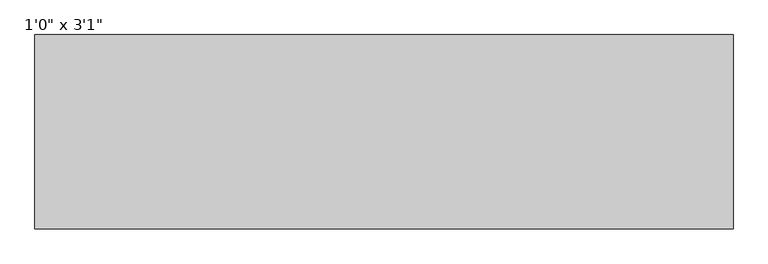
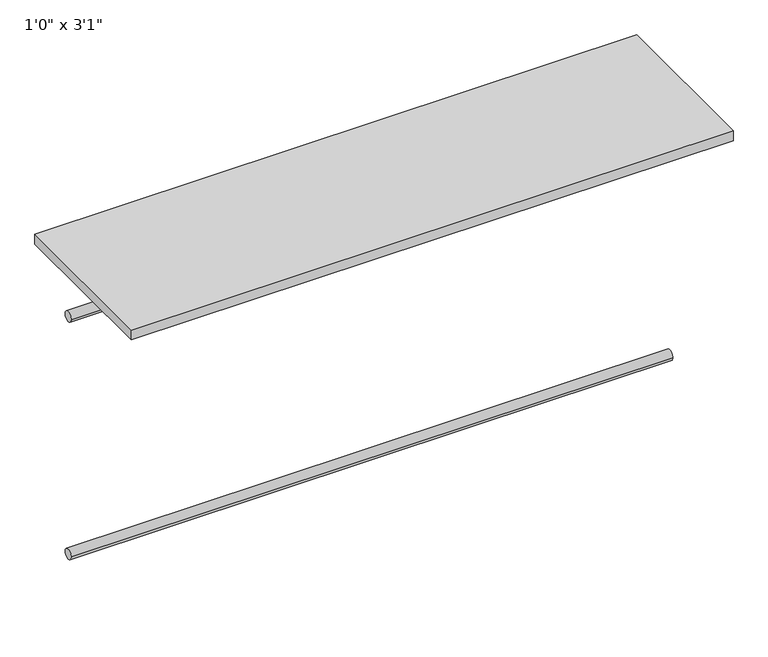
"""IFC4 building model written with IfcOpenShell, lengths in millimetres: furniture geometry."""

from ifc_helpers import new_model, si_unit, point, frame, frame_2d, origin, origin_with_axes, place, context, project, spatial, polyline, circle_curve, trimmed, segment, composite_curve, outline, extrude, source, transform, mapped, element, save


def furniture_faa27d31(model_context):
    return source(origin(), model_context, "Body", "SweptSolid", [
        extrude(outline(composite_curve([segment(trimmed(circle_curve(frame_2d((-342.9, -711.2)), 12.7), [point((-330.2, -711.2))], [point((-355.6, -711.2))], False, "CARTESIAN"), True, "CONTINUOUS"), segment(trimmed(circle_curve(frame_2d((-342.9, -711.2)), 12.7), [point((-355.6, -711.2))], [point((-330.2, -711.2))], False, "CARTESIAN"), True, "CONTINUOUS")], self_intersect=False)), frame((-712.0310451, 0.0, 0.0), z_axis=(1.0, 0.0, 0.0), x_axis=(0.0, 1.0, 0.0)), (0.0, 0.0, 1.0), 1461.5375),
        extrude(outline(composite_curve([segment(trimmed(circle_curve(frame_2d((-342.9, -101.6)), 12.7), [point((-330.2, -101.6))], [point((-355.6, -101.6))], False, "CARTESIAN"), True, "CONTINUOUS"), segment(trimmed(circle_curve(frame_2d((-342.9, -101.6)), 12.7), [point((-355.6, -101.6))], [point((-330.2, -101.6))], False, "CARTESIAN"), True, "CONTINUOUS")], self_intersect=False)), frame((-712.0310451, 0.0, 0.0), z_axis=(1.0, 0.0, 0.0), x_axis=(0.0, 1.0, 0.0)), (0.0, 0.0, 1.0), 1461.5375),
        extrude(outline(polyline([(749.5064549, -203.2), (749.5064549, -609.6), (-712.0310451, -609.6), (-712.0310451, -203.2), (749.5064549, -203.2)])), origin_with_axes(), (0.0, 0.0, 1.0), 25.4),
    ])


if __name__ == "__main__":
    model = new_model("IFC4")
    model_context = context("Model", 3, world=origin())
    ifc_project = project(units=[si_unit("LENGTHUNIT", "METRE", prefix="MILLI")], contexts=[model_context])
    site = spatial("IfcSite", under=ifc_project)
    building = spatial("IfcBuilding", under=site)
    placement = place(None, origin())
    furniture_shape = furniture_faa27d31(model_context)
    element("IfcFurniture", 1, ObjectType="1'0\" x 3'1\"", at=placement, inside=building, context=model_context, shape_type="MappedRepresentation", body=[
        mapped(furniture_shape, transform((0.0, 0.0, 0.0), x_axis=(1.0, 0.0, 0.0), y_axis=(0.0, 1.0, 0.0), z_axis=(0.0, 0.0, 1.0))),
    ])
    save(model, "model.ifc")
